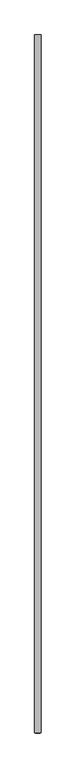
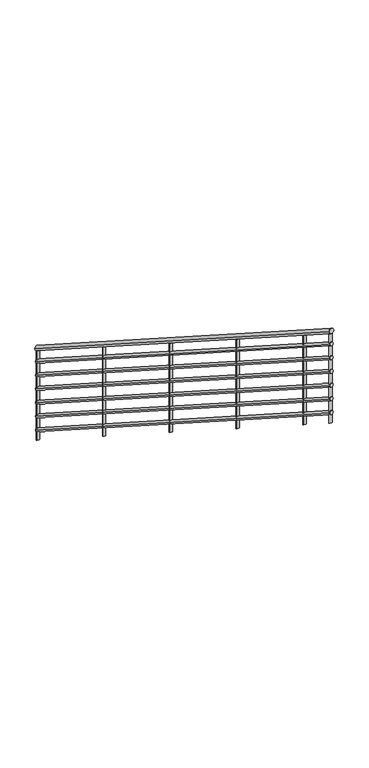
"""IFC4 building model written with IfcOpenShell, lengths in millimetres: railing geometry."""

from ifc_helpers import new_model, si_unit, frame, origin, place, context, project, spatial, ellipse_curve, source, transform, mapped, element, save
from ifc_brep_helpers import plane_surface, cylinder_surface, advanced_brep


def railing_653caffa(model_context):
    return source(origin(), model_context, "Body", "AdvancedBrep", [
        advanced_brep(
        [(-6922.7572282, -30005.6438645, 1052.7068065), (-6962.7572282, -30005.6438645, 1052.7068065), (-6922.7572282, -34405.6438645, 3876.2362183), (-6962.7572282, -34405.6438645, 3876.2362183)],
        [
            (0, 1, ellipse_curve(frame((-6942.7572282, -30005.6438645, 1052.7068065), z_axis=(0.0, 1.0, 0.0), x_axis=(0.0, 0.0, -1.0)), 23.7637817, 20.0)),
            (1, 0, ellipse_curve(frame((-6942.7572282, -30005.6438645, 1052.7068065), z_axis=(0.0, 1.0, 0.0), x_axis=(0.0, 0.0, -1.0)), 23.7637817, 20.0)),
            (2, 3, ellipse_curve(frame((-6942.7572282, -34405.6438645, 3876.2362183), z_axis=(0.0, -1.0, 0.0), x_axis=(0.0, 0.0, -1.0)), 23.7637817, 20.0)),
            (3, 2, ellipse_curve(frame((-6942.7572282, -34405.6438645, 3876.2362183), z_axis=(0.0, -1.0, 0.0), x_axis=(0.0, 0.0, -1.0)), 23.7637817, 20.0)),
            (0, 2),
            (3, 1),
        ],
        [
            plane_surface(frame((-6942.7572282, -30005.6438645, 1076.4705882), z_axis=(0.0, 1.0, 0.0), x_axis=(0.0, 0.0, -1.0))),
            plane_surface(frame((-6942.7572282, -34405.6438645, 3900.0), z_axis=(0.0, -1.0, 0.0), x_axis=(0.0, 0.0, -1.0))),
            cylinder_surface(frame((-6942.7572282, -30016.4453647, 1059.6382505), z_axis=(0.0, 0.841616887662225, -0.5400750081254915), x_axis=(-1.0, 0.0, 0.0)), 20.0),
        ],
        [
            (0, [[1, 2]]),
            (1, [[3, 4]]),
            (2, [[-1, 5, -4, 6]]),
            (2, [[-2, -6, -3, -5]]),
        ],
    ),
        advanced_brep(
        [(-6927.7572282, -30005.6438645, 933.647752), (-6957.7572282, -30005.6438645, 933.647752), (-6927.7572282, -34405.6438645, 3757.1771637), (-6957.7572282, -34405.6438645, 3757.1771637)],
        [
            (0, 1, ellipse_curve(frame((-6942.7572282, -30005.6438645, 933.647752), z_axis=(0.0, 1.0, 0.0), x_axis=(0.0, 0.0, -1.0)), 17.8228363, 15.0)),
            (1, 0, ellipse_curve(frame((-6942.7572282, -30005.6438645, 933.647752), z_axis=(0.0, 1.0, 0.0), x_axis=(0.0, 0.0, -1.0)), 17.8228363, 15.0)),
            (2, 3, ellipse_curve(frame((-6942.7572282, -34405.6438645, 3757.1771637), z_axis=(0.0, -1.0, 0.0), x_axis=(0.0, 0.0, -1.0)), 17.8228363, 15.0)),
            (3, 2, ellipse_curve(frame((-6942.7572282, -34405.6438645, 3757.1771637), z_axis=(0.0, -1.0, 0.0), x_axis=(0.0, 0.0, -1.0)), 17.8228363, 15.0)),
            (0, 2),
            (3, 1),
        ],
        [
            plane_surface(frame((-6942.7572282, -30005.6438645, 951.4705882), z_axis=(0.0, 1.0, 0.0), x_axis=(0.0, 0.0, -1.0))),
            plane_surface(frame((-6942.7572282, -34405.6438645, 3775.0), z_axis=(0.0, -1.0, 0.0), x_axis=(0.0, 0.0, -1.0))),
            cylinder_surface(frame((-6942.7572282, -30013.7449896, 938.8463349), z_axis=(0.0, 0.841616887662225, -0.5400750081254915), x_axis=(-1.0, 0.0, 0.0)), 15.0),
        ],
        [
            (0, [[1, 2]]),
            (1, [[3, 4]]),
            (2, [[-1, 5, -4, 6]]),
            (2, [[-2, -6, -3, -5]]),
        ],
    ),
        advanced_brep(
        [(-6927.7572282, -30005.6438645, 808.647752), (-6957.7572282, -30005.6438645, 808.647752), (-6927.7572282, -34405.6438645, 3632.1771637), (-6957.7572282, -34405.6438645, 3632.1771637)],
        [
            (0, 1, ellipse_curve(frame((-6942.7572282, -30005.6438645, 808.647752), z_axis=(0.0, 1.0, 0.0), x_axis=(0.0, 0.0, -1.0)), 17.8228363, 15.0)),
            (1, 0, ellipse_curve(frame((-6942.7572282, -30005.6438645, 808.647752), z_axis=(0.0, 1.0, 0.0), x_axis=(0.0, 0.0, -1.0)), 17.8228363, 15.0)),
            (2, 3, ellipse_curve(frame((-6942.7572282, -34405.6438645, 3632.1771637), z_axis=(0.0, -1.0, 0.0), x_axis=(0.0, 0.0, -1.0)), 17.8228363, 15.0)),
            (3, 2, ellipse_curve(frame((-6942.7572282, -34405.6438645, 3632.1771637), z_axis=(0.0, -1.0, 0.0), x_axis=(0.0, 0.0, -1.0)), 17.8228363, 15.0)),
            (0, 2),
            (3, 1),
        ],
        [
            plane_surface(frame((-6942.7572282, -30005.6438645, 826.4705882), z_axis=(0.0, 1.0, 0.0), x_axis=(0.0, 0.0, -1.0))),
            plane_surface(frame((-6942.7572282, -34405.6438645, 3650.0), z_axis=(0.0, -1.0, 0.0), x_axis=(0.0, 0.0, -1.0))),
            cylinder_surface(frame((-6942.7572282, -30013.7449896, 813.8463349), z_axis=(0.0, 0.841616887662225, -0.5400750081254915), x_axis=(-1.0, 0.0, 0.0)), 15.0),
        ],
        [
            (0, [[1, 2]]),
            (1, [[3, 4]]),
            (2, [[-1, 5, -4, 6]]),
            (2, [[-2, -6, -3, -5]]),
        ],
    ),
        advanced_brep(
        [(-6927.7572282, -30005.6438645, 683.647752), (-6957.7572282, -30005.6438645, 683.647752), (-6927.7572282, -34405.6438645, 3507.1771637), (-6957.7572282, -34405.6438645, 3507.1771637)],
        [
            (0, 1, ellipse_curve(frame((-6942.7572282, -30005.6438645, 683.647752), z_axis=(0.0, 1.0, 0.0), x_axis=(0.0, 0.0, -1.0)), 17.8228363, 15.0)),
            (1, 0, ellipse_curve(frame((-6942.7572282, -30005.6438645, 683.647752), z_axis=(0.0, 1.0, 0.0), x_axis=(0.0, 0.0, -1.0)), 17.8228363, 15.0)),
            (2, 3, ellipse_curve(frame((-6942.7572282, -34405.6438645, 3507.1771637), z_axis=(0.0, -1.0, 0.0), x_axis=(0.0, 0.0, -1.0)), 17.8228363, 15.0)),
            (3, 2, ellipse_curve(frame((-6942.7572282, -34405.6438645, 3507.1771637), z_axis=(0.0, -1.0, 0.0), x_axis=(0.0, 0.0, -1.0)), 17.8228363, 15.0)),
            (0, 2),
            (3, 1),
        ],
        [
            plane_surface(frame((-6942.7572282, -30005.6438645, 701.4705882), z_axis=(0.0, 1.0, 0.0), x_axis=(0.0, 0.0, -1.0))),
            plane_surface(frame((-6942.7572282, -34405.6438645, 3525.0), z_axis=(0.0, -1.0, 0.0), x_axis=(0.0, 0.0, -1.0))),
            cylinder_surface(frame((-6942.7572282, -30013.7449896, 688.8463349), z_axis=(0.0, 0.841616887662225, -0.5400750081254915), x_axis=(-1.0, 0.0, 0.0)), 15.0),
        ],
        [
            (0, [[1, 2]]),
            (1, [[3, 4]]),
            (2, [[-1, 5, -4, 6]]),
            (2, [[-2, -6, -3, -5]]),
        ],
    ),
        advanced_brep(
        [(-6927.7572282, -30005.6438645, 558.647752), (-6957.7572282, -30005.6438645, 558.647752), (-6927.7572282, -34405.6438645, 3382.1771637), (-6957.7572282, -34405.6438645, 3382.1771637)],
        [
            (0, 1, ellipse_curve(frame((-6942.7572282, -30005.6438645, 558.647752), z_axis=(0.0, 1.0, 0.0), x_axis=(0.0, 0.0, -1.0)), 17.8228363, 15.0)),
            (1, 0, ellipse_curve(frame((-6942.7572282, -30005.6438645, 558.647752), z_axis=(0.0, 1.0, 0.0), x_axis=(0.0, 0.0, -1.0)), 17.8228363, 15.0)),
            (2, 3, ellipse_curve(frame((-6942.7572282, -34405.6438645, 3382.1771637), z_axis=(0.0, -1.0, 0.0), x_axis=(0.0, 0.0, -1.0)), 17.8228363, 15.0)),
            (3, 2, ellipse_curve(frame((-6942.7572282, -34405.6438645, 3382.1771637), z_axis=(0.0, -1.0, 0.0), x_axis=(0.0, 0.0, -1.0)), 17.8228363, 15.0)),
            (0, 2),
            (3, 1),
        ],
        [
            plane_surface(frame((-6942.7572282, -30005.6438645, 576.4705882), z_axis=(0.0, 1.0, 0.0), x_axis=(0.0, 0.0, -1.0))),
            plane_surface(frame((-6942.7572282, -34405.6438645, 3400.0), z_axis=(0.0, -1.0, 0.0), x_axis=(0.0, 0.0, -1.0))),
            cylinder_surface(frame((-6942.7572282, -30013.7449896, 563.8463349), z_axis=(0.0, 0.841616887662225, -0.5400750081254915), x_axis=(-1.0, 0.0, 0.0)), 15.0),
        ],
        [
            (0, [[1, 2]]),
            (1, [[3, 4]]),
            (2, [[-1, 5, -4, 6]]),
            (2, [[-2, -6, -3, -5]]),
        ],
    ),
        advanced_brep(
        [(-6927.7572282, -30005.6438645, 433.647752), (-6957.7572282, -30005.6438645, 433.647752), (-6927.7572282, -34405.6438645, 3257.1771637), (-6957.7572282, -34405.6438645, 3257.1771637)],
        [
            (0, 1, ellipse_curve(frame((-6942.7572282, -30005.6438645, 433.647752), z_axis=(0.0, 1.0, 0.0), x_axis=(0.0, 0.0, -1.0)), 17.8228363, 15.0)),
            (1, 0, ellipse_curve(frame((-6942.7572282, -30005.6438645, 433.647752), z_axis=(0.0, 1.0, 0.0), x_axis=(0.0, 0.0, -1.0)), 17.8228363, 15.0)),
            (2, 3, ellipse_curve(frame((-6942.7572282, -34405.6438645, 3257.1771637), z_axis=(0.0, -1.0, 0.0), x_axis=(0.0, 0.0, -1.0)), 17.8228363, 15.0)),
            (3, 2, ellipse_curve(frame((-6942.7572282, -34405.6438645, 3257.1771637), z_axis=(0.0, -1.0, 0.0), x_axis=(0.0, 0.0, -1.0)), 17.8228363, 15.0)),
            (0, 2),
            (3, 1),
        ],
        [
            plane_surface(frame((-6942.7572282, -30005.6438645, 451.4705882), z_axis=(0.0, 1.0, 0.0), x_axis=(0.0, 0.0, -1.0))),
            plane_surface(frame((-6942.7572282, -34405.6438645, 3275.0), z_axis=(0.0, -1.0, 0.0), x_axis=(0.0, 0.0, -1.0))),
            cylinder_surface(frame((-6942.7572282, -30013.7449896, 438.8463349), z_axis=(0.0, 0.841616887662225, -0.5400750081254915), x_axis=(-1.0, 0.0, 0.0)), 15.0),
        ],
        [
            (0, [[1, 2]]),
            (1, [[3, 4]]),
            (2, [[-1, 5, -4, 6]]),
            (2, [[-2, -6, -3, -5]]),
        ],
    ),
        advanced_brep(
        [(-6927.7572282, -30005.6438645, 308.647752), (-6957.7572282, -30005.6438645, 308.647752), (-6927.7572282, -34405.6438645, 3132.1771637), (-6957.7572282, -34405.6438645, 3132.1771637)],
        [
            (0, 1, ellipse_curve(frame((-6942.7572282, -30005.6438645, 308.647752), z_axis=(0.0, 1.0, 0.0), x_axis=(0.0, 0.0, -1.0)), 17.8228363, 15.0)),
            (1, 0, ellipse_curve(frame((-6942.7572282, -30005.6438645, 308.647752), z_axis=(0.0, 1.0, 0.0), x_axis=(0.0, 0.0, -1.0)), 17.8228363, 15.0)),
            (2, 3, ellipse_curve(frame((-6942.7572282, -34405.6438645, 3132.1771637), z_axis=(0.0, -1.0, 0.0), x_axis=(0.0, 0.0, -1.0)), 17.8228363, 15.0)),
            (3, 2, ellipse_curve(frame((-6942.7572282, -34405.6438645, 3132.1771637), z_axis=(0.0, -1.0, 0.0), x_axis=(0.0, 0.0, -1.0)), 17.8228363, 15.0)),
            (0, 2),
            (3, 1),
        ],
        [
            plane_surface(frame((-6942.7572282, -30005.6438645, 326.4705882), z_axis=(0.0, 1.0, 0.0), x_axis=(0.0, 0.0, -1.0))),
            plane_surface(frame((-6942.7572282, -34405.6438645, 3150.0), z_axis=(0.0, -1.0, 0.0), x_axis=(0.0, 0.0, -1.0))),
            cylinder_surface(frame((-6942.7572282, -30013.7449896, 313.8463349), z_axis=(0.0, 0.841616887662225, -0.5400750081254915), x_axis=(-1.0, 0.0, 0.0)), 15.0),
        ],
        [
            (0, [[1, 2]]),
            (1, [[3, 4]]),
            (2, [[-1, 5, -4, 6]]),
            (2, [[-2, -6, -3, -5]]),
        ],
    ),
        advanced_brep(
        [(-6955.2572282, -34005.6438645, 3595.7879446), (-6955.2572282, -34005.6438645, 2782.8260947), (-6930.2572282, -34005.6438645, 2782.8260947), (-6930.2572282, -34005.6438645, 3595.7879446)],
        [
            (0, 1),
            (1, 2, ellipse_curve(frame((-6942.7572282, -34005.6438645, 2782.8260947), z_axis=(0.0, 0.5400750081254915, 0.8416168876622251), x_axis=(0.0, -0.8416168876622251, 0.5400750081254914)), 14.8523636, 12.5)),
            (2, 3),
            (3, 0, ellipse_curve(frame((-6942.7572282, -34005.6438645, 3595.7879446), z_axis=(0.0, -0.5400750081254908, -0.8416168876622255), x_axis=(0.0, -0.8416168876622256, 0.5400750081254907)), 14.8523636, 12.5)),
            (0, 3, ellipse_curve(frame((-6942.7572282, -34005.6438645, 3595.7879446), z_axis=(0.0, -0.5400750081254908, -0.8416168876622255), x_axis=(0.0, -0.8416168876622256, 0.5400750081254907)), 14.8523636, 12.5)),
            (2, 1, ellipse_curve(frame((-6942.7572282, -34005.6438645, 2782.8260947), z_axis=(0.0, 0.5400750081254915, 0.8416168876622251), x_axis=(0.0, -0.8416168876622251, 0.5400750081254914)), 14.8523636, 12.5)),
        ],
        [
            cylinder_surface(frame((-6942.7572282, -34005.6438645, 2682.8260947), z_axis=(0.0, 0.0, 1.0), x_axis=(1.0, 0.0, 0.0)), 12.5),
            plane_surface(frame((-6917.7572282, -34030.6438645, 3611.8307254), z_axis=(0.0, 0.5400750081254908, 0.8416168876622255), x_axis=(-1.0, 0.0, 0.0))),
            plane_surface(frame((-6917.7572282, -33980.6438645, 2766.783314), z_axis=(0.0, -0.5400750081254915, -0.8416168876622251), x_axis=(-1.0, 0.0, 0.0))),
        ],
        [
            (0, [[1, 2, 3, 4]]),
            (0, [[-1, 5, -3, 6]]),
            (1, [[-4, -5]]),
            (2, [[-2, -6]]),
        ],
    ),
        advanced_brep(
        [(-6955.2572282, -33005.6438645, 2954.0767147), (-6955.2572282, -33005.6438645, 2141.1148648), (-6930.2572282, -33005.6438645, 2141.1148648), (-6930.2572282, -33005.6438645, 2954.0767147)],
        [
            (0, 1),
            (1, 2, ellipse_curve(frame((-6942.7572282, -33005.6438645, 2141.1148648), z_axis=(0.0, 0.5400750081254915, 0.8416168876622251), x_axis=(0.0, -0.8416168876622251, 0.5400750081254914)), 14.8523636, 12.5)),
            (2, 3),
            (3, 0, ellipse_curve(frame((-6942.7572282, -33005.6438645, 2954.0767147), z_axis=(0.0, -0.5400750081254908, -0.8416168876622255), x_axis=(0.0, -0.8416168876622256, 0.5400750081254907)), 14.8523636, 12.5)),
            (0, 3, ellipse_curve(frame((-6942.7572282, -33005.6438645, 2954.0767147), z_axis=(0.0, -0.5400750081254908, -0.8416168876622255), x_axis=(0.0, -0.8416168876622256, 0.5400750081254907)), 14.8523636, 12.5)),
            (2, 1, ellipse_curve(frame((-6942.7572282, -33005.6438645, 2141.1148648), z_axis=(0.0, 0.5400750081254915, 0.8416168876622251), x_axis=(0.0, -0.8416168876622251, 0.5400750081254914)), 14.8523636, 12.5)),
        ],
        [
            cylinder_surface(frame((-6942.7572282, -33005.6438645, 2041.1148648), z_axis=(0.0, 0.0, 1.0), x_axis=(1.0, 0.0, 0.0)), 12.5),
            plane_surface(frame((-6917.7572282, -33030.6438645, 2970.1194954), z_axis=(0.0, 0.5400750081254908, 0.8416168876622255), x_axis=(-1.0, 0.0, 0.0))),
            plane_surface(frame((-6917.7572282, -32980.6438645, 2125.072084), z_axis=(0.0, -0.5400750081254915, -0.8416168876622251), x_axis=(-1.0, 0.0, 0.0))),
        ],
        [
            (0, [[1, 2, 3, 4]]),
            (0, [[-1, 5, -3, 6]]),
            (1, [[-4, -5]]),
            (2, [[-2, -6]]),
        ],
    ),
        advanced_brep(
        [(-6955.2572282, -32005.6438645, 2312.3654847), (-6955.2572282, -32005.6438645, 1499.4036348), (-6930.2572282, -32005.6438645, 1499.4036348), (-6930.2572282, -32005.6438645, 2312.3654847)],
        [
            (0, 1),
            (1, 2, ellipse_curve(frame((-6942.7572282, -32005.6438645, 1499.4036348), z_axis=(0.0, 0.5400750081254915, 0.8416168876622251), x_axis=(0.0, -0.8416168876622251, 0.5400750081254914)), 14.8523636, 12.5)),
            (2, 3),
            (3, 0, ellipse_curve(frame((-6942.7572282, -32005.6438645, 2312.3654847), z_axis=(0.0, -0.5400750081254908, -0.8416168876622255), x_axis=(0.0, -0.8416168876622256, 0.5400750081254907)), 14.8523636, 12.5)),
            (0, 3, ellipse_curve(frame((-6942.7572282, -32005.6438645, 2312.3654847), z_axis=(0.0, -0.5400750081254908, -0.8416168876622255), x_axis=(0.0, -0.8416168876622256, 0.5400750081254907)), 14.8523636, 12.5)),
            (2, 1, ellipse_curve(frame((-6942.7572282, -32005.6438645, 1499.4036348), z_axis=(0.0, 0.5400750081254915, 0.8416168876622251), x_axis=(0.0, -0.8416168876622251, 0.5400750081254914)), 14.8523636, 12.5)),
        ],
        [
            cylinder_surface(frame((-6942.7572282, -32005.6438645, 1399.4036348), z_axis=(0.0, 0.0, 1.0), x_axis=(1.0, 0.0, 0.0)), 12.5),
            plane_surface(frame((-6917.7572282, -32030.6438645, 2328.4082655), z_axis=(0.0, 0.5400750081254908, 0.8416168876622255), x_axis=(-1.0, 0.0, 0.0))),
            plane_surface(frame((-6917.7572282, -31980.6438645, 1483.3608541), z_axis=(0.0, -0.5400750081254915, -0.8416168876622251), x_axis=(-1.0, 0.0, 0.0))),
        ],
        [
            (0, [[1, 2, 3, 4]]),
            (0, [[-1, 5, -3, 6]]),
            (1, [[-4, -5]]),
            (2, [[-2, -6]]),
        ],
    ),
        advanced_brep(
        [(-6955.2572282, -31005.6438645, 1670.6542548), (-6955.2572282, -31005.6438645, 857.6924049), (-6930.2572282, -31005.6438645, 857.6924049), (-6930.2572282, -31005.6438645, 1670.6542548)],
        [
            (0, 1),
            (1, 2, ellipse_curve(frame((-6942.7572282, -31005.6438645, 857.6924049), z_axis=(0.0, 0.5400750081254915, 0.8416168876622251), x_axis=(0.0, -0.8416168876622251, 0.5400750081254914)), 14.8523636, 12.5)),
            (2, 3),
            (3, 0, ellipse_curve(frame((-6942.7572282, -31005.6438645, 1670.6542548), z_axis=(0.0, -0.5400750081254908, -0.8416168876622255), x_axis=(0.0, -0.8416168876622256, 0.5400750081254907)), 14.8523636, 12.5)),
            (0, 3, ellipse_curve(frame((-6942.7572282, -31005.6438645, 1670.6542548), z_axis=(0.0, -0.5400750081254908, -0.8416168876622255), x_axis=(0.0, -0.8416168876622256, 0.5400750081254907)), 14.8523636, 12.5)),
            (2, 1, ellipse_curve(frame((-6942.7572282, -31005.6438645, 857.6924049), z_axis=(0.0, 0.5400750081254915, 0.8416168876622251), x_axis=(0.0, -0.8416168876622251, 0.5400750081254914)), 14.8523636, 12.5)),
        ],
        [
            cylinder_surface(frame((-6942.7572282, -31005.6438645, 757.6924049), z_axis=(0.0, 0.0, 1.0), x_axis=(1.0, 0.0, 0.0)), 12.5),
            plane_surface(frame((-6917.7572282, -31030.6438645, 1686.6970355), z_axis=(0.0, 0.5400750081254908, 0.8416168876622255), x_axis=(-1.0, 0.0, 0.0))),
            plane_surface(frame((-6917.7572282, -30980.6438645, 841.6496241), z_axis=(0.0, -0.5400750081254915, -0.8416168876622251), x_axis=(-1.0, 0.0, 0.0))),
        ],
        [
            (0, [[1, 2, 3, 4]]),
            (0, [[-1, 5, -3, 6]]),
            (1, [[-4, -5]]),
            (2, [[-2, -6]]),
        ],
    ),
        advanced_brep(
        [(-6955.2572282, -34393.1438645, 3844.4510462), (-6955.2572282, -34393.1438645, 3031.4891963), (-6930.2572282, -34393.1438645, 3031.4891963), (-6930.2572282, -34393.1438645, 3844.4510462)],
        [
            (0, 1),
            (1, 2, ellipse_curve(frame((-6942.7572282, -34393.1438645, 3031.4891963), z_axis=(0.0, 0.5400750081254915, 0.8416168876622251), x_axis=(0.0, -0.8416168876622251, 0.5400750081254914)), 14.8523636, 12.5)),
            (2, 3),
            (3, 0, ellipse_curve(frame((-6942.7572282, -34393.1438645, 3844.4510462), z_axis=(0.0, -0.5400750081254908, -0.8416168876622255), x_axis=(0.0, -0.8416168876622256, 0.5400750081254907)), 14.8523636, 12.5)),
            (0, 3, ellipse_curve(frame((-6942.7572282, -34393.1438645, 3844.4510462), z_axis=(0.0, -0.5400750081254908, -0.8416168876622255), x_axis=(0.0, -0.8416168876622256, 0.5400750081254907)), 14.8523636, 12.5)),
            (2, 1, ellipse_curve(frame((-6942.7572282, -34393.1438645, 3031.4891963), z_axis=(0.0, 0.5400750081254915, 0.8416168876622251), x_axis=(0.0, -0.8416168876622251, 0.5400750081254914)), 14.8523636, 12.5)),
        ],
        [
            cylinder_surface(frame((-6942.7572282, -34393.1438645, 2931.4891963), z_axis=(0.0, 0.0, 1.0), x_axis=(1.0, 0.0, 0.0)), 12.5),
            plane_surface(frame((-6917.7572282, -34418.1438645, 3860.493827), z_axis=(0.0, 0.5400750081254908, 0.8416168876622255), x_axis=(-1.0, 0.0, 0.0))),
            plane_surface(frame((-6917.7572282, -34368.1438645, 3015.4464156), z_axis=(0.0, -0.5400750081254915, -0.8416168876622251), x_axis=(-1.0, 0.0, 0.0))),
        ],
        [
            (0, [[1, 2, 3, 4]]),
            (0, [[-1, 5, -3, 6]]),
            (1, [[-4, -5]]),
            (2, [[-2, -6]]),
        ],
    ),
        advanced_brep(
        [(-6955.2572282, -30018.1438645, 1036.9644152), (-6955.2572282, -30018.1438645, 224.0025653), (-6930.2572282, -30018.1438645, 224.0025653), (-6930.2572282, -30018.1438645, 1036.9644152)],
        [
            (0, 1),
            (1, 2, ellipse_curve(frame((-6942.7572282, -30018.1438645, 224.0025653), z_axis=(0.0, 0.5400750081254915, 0.8416168876622251), x_axis=(0.0, -0.8416168876622251, 0.5400750081254914)), 14.8523636, 12.5)),
            (2, 3),
            (3, 0, ellipse_curve(frame((-6942.7572282, -30018.1438645, 1036.9644152), z_axis=(0.0, -0.5400750081254908, -0.8416168876622255), x_axis=(0.0, -0.8416168876622256, 0.5400750081254907)), 14.8523636, 12.5)),
            (0, 3, ellipse_curve(frame((-6942.7572282, -30018.1438645, 1036.9644152), z_axis=(0.0, -0.5400750081254908, -0.8416168876622255), x_axis=(0.0, -0.8416168876622256, 0.5400750081254907)), 14.8523636, 12.5)),
            (2, 1, ellipse_curve(frame((-6942.7572282, -30018.1438645, 224.0025653), z_axis=(0.0, 0.5400750081254915, 0.8416168876622251), x_axis=(0.0, -0.8416168876622251, 0.5400750081254914)), 14.8523636, 12.5)),
        ],
        [
            cylinder_surface(frame((-6942.7572282, -30018.1438645, 124.0025653), z_axis=(0.0, 0.0, 1.0), x_axis=(1.0, 0.0, 0.0)), 12.5),
            plane_surface(frame((-6917.7572282, -30043.1438645, 1053.0071959), z_axis=(0.0, 0.5400750081254908, 0.8416168876622255), x_axis=(-1.0, 0.0, 0.0))),
            plane_surface(frame((-6917.7572282, -29993.1438645, 207.9597846), z_axis=(0.0, -0.5400750081254915, -0.8416168876622251), x_axis=(-1.0, 0.0, 0.0))),
        ],
        [
            (0, [[1, 2, 3, 4]]),
            (0, [[-1, 5, -3, 6]]),
            (1, [[-4, -5]]),
            (2, [[-2, -6]]),
        ],
    ),
    ])


if __name__ == "__main__":
    model = new_model("IFC4")
    model_context = context("Model", 3, world=origin())
    ifc_project = project(units=[si_unit("LENGTHUNIT", "METRE", prefix="MILLI")], contexts=[model_context])
    site = spatial("IfcSite", under=ifc_project)
    building = spatial("IfcBuilding", under=site)
    placement = place(None, origin())
    railing_shape = railing_653caffa(model_context)
    element("IfcRailing", 1, at=placement, inside=building, context=model_context, shape_type="MappedRepresentation", body=[
        mapped(railing_shape, transform((0.0, 0.0, 0.0), x_axis=(1.0, 0.0, 0.0), y_axis=(0.0, 1.0, 0.0), z_axis=(0.0, 0.0, 1.0))),
    ])
    save(model, "model.ifc")
